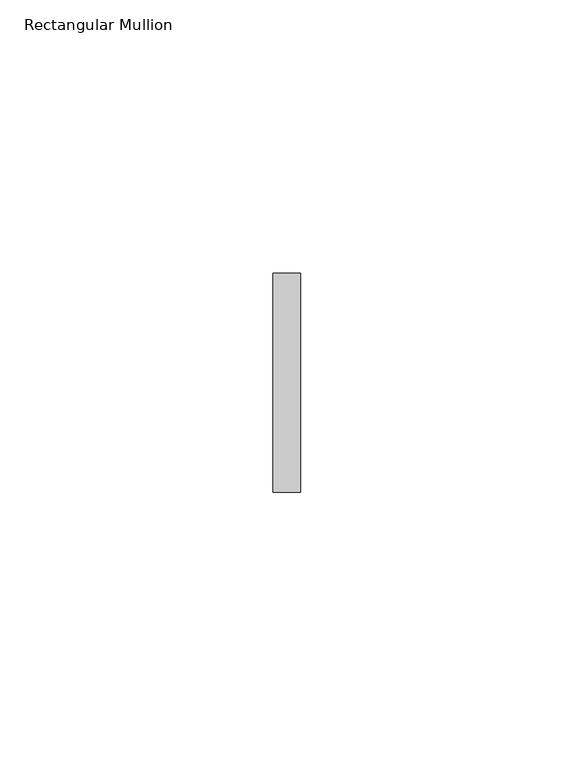
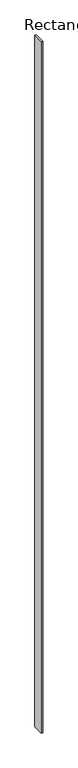
"""IFC4 building model written with IfcOpenShell, lengths in millimetres: member geometry, Rectangular Mullion."""

from ifc_helpers import new_model, si_unit, frame, origin, place, context, project, spatial, polyline, outline, extrude, source, transform, mapped, element, save


def rectangular_mullion_b64482d6(model_context):
    return source(origin(), model_context, "Body", "SweptSolid", [
        extrude(outline(polyline([(2.5, 20.0), (2.5, -20.0), (-2.5, -20.0), (-2.5, 20.0), (2.5, 20.0)])), frame((0.0, 0.0, -2658.0), z_axis=(0.0, 0.0, 1.0), x_axis=(1.0, 0.0, 0.0)), (0.0, 0.0, 1.0), 2658.0),
    ])


if __name__ == "__main__":
    model = new_model("IFC4")
    model_context = context("Model", 3, world=origin())
    ifc_project = project(units=[si_unit("LENGTHUNIT", "METRE", prefix="MILLI")], contexts=[model_context])
    site = spatial("IfcSite", under=ifc_project)
    building = spatial("IfcBuilding", under=site)
    placement = place(None, origin())
    rectangular_mullion_shape = rectangular_mullion_b64482d6(model_context)
    element("IfcMember", 1, ObjectType="Rectangular Mullion", at=placement, inside=building, context=model_context, shape_type="MappedRepresentation", body=[
        mapped(rectangular_mullion_shape, transform((0.0, 0.0, 0.0), x_axis=(1.0, 0.0, 0.0), y_axis=(0.0, 1.0, 0.0), z_axis=(0.0, 0.0, 1.0))),
    ])
    save(model, "model.ifc")
